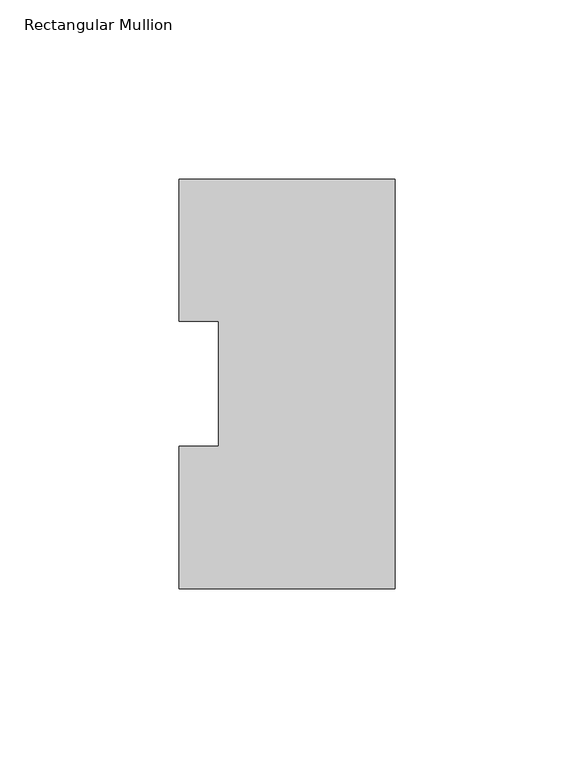
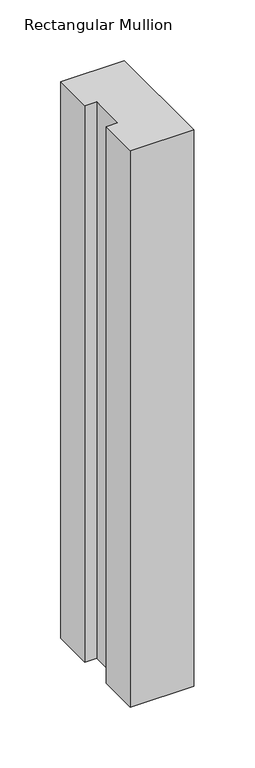
"""IFC4 building model written with IfcOpenShell, lengths in millimetres: member geometry, Rectangular Mullion."""

from ifc_helpers import new_model, si_unit, frame, origin, place, context, project, spatial, polyline, outline, extrude, source, transform, mapped, element, save


def rectangular_mullion_fae142a7(model_context):
    return source(origin(), model_context, "Body", "SweptSolid", [
        extrude(outline(polyline([(0.0, 114.271425), (0.0, -0.028575), (-60.325, -0.028575), (-60.325, 39.646225), (-49.2125, 39.646225), (-49.2125, 74.596625), (-60.325, 74.596625), (-60.325, 114.271425), (0.0, 114.271425)])), frame((0.0, 0.0, -558.8), z_axis=(0.0, 0.0, 1.0), x_axis=(1.0, 0.0, 0.0)), (0.0, 0.0, 1.0), 558.8),
    ])


if __name__ == "__main__":
    model = new_model("IFC4")
    model_context = context("Model", 3, world=origin())
    ifc_project = project(units=[si_unit("LENGTHUNIT", "METRE", prefix="MILLI")], contexts=[model_context])
    site = spatial("IfcSite", under=ifc_project)
    building = spatial("IfcBuilding", under=site)
    placement = place(None, origin())
    rectangular_mullion_shape = rectangular_mullion_fae142a7(model_context)
    element("IfcMember", 1, ObjectType="Rectangular Mullion", at=placement, inside=building, context=model_context, shape_type="MappedRepresentation", body=[
        mapped(rectangular_mullion_shape, transform((0.0, 0.0, 0.0), x_axis=(1.0, 0.0, 0.0), y_axis=(0.0, 1.0, 0.0), z_axis=(0.0, 0.0, 1.0))),
    ])
    save(model, "model.ifc")
